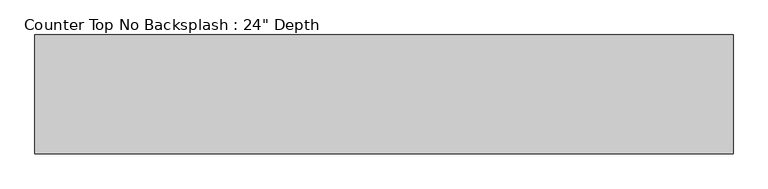
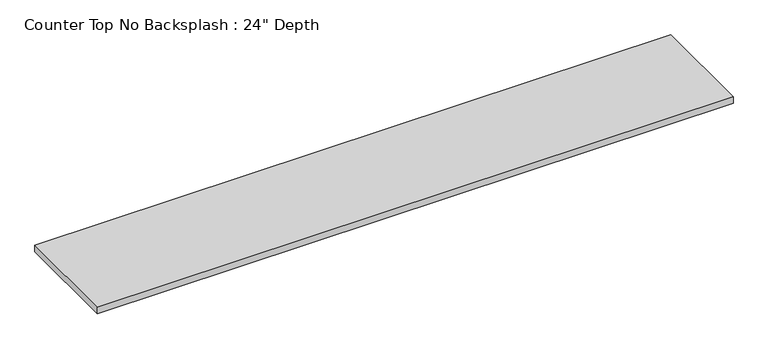
"""IFC4 building model written with IfcOpenShell, lengths in millimetres: furniture geometry."""

from ifc_helpers import new_model, si_unit, frame, origin, place, context, project, spatial, polyline, outline, extrude, source, transform, mapped, element, save


def furniture_3fc5d77e(model_context):
    return source(origin(), model_context, "Body", "SweptSolid", [
        extrude(outline(polyline([(2533.3377049, 0.0), (2533.3377049, -635.0), (-1200.4622951, -635.0), (-1200.4622951, 0.0), (2533.3377049, 0.0)])), frame((0.0, 0.0, 876.3), z_axis=(0.0, 0.0, 1.0), x_axis=(1.0, 0.0, 0.0)), (0.0, 0.0, 1.0), 38.1),
    ])


if __name__ == "__main__":
    model = new_model("IFC4")
    model_context = context("Model", 3, world=origin())
    ifc_project = project(units=[si_unit("LENGTHUNIT", "METRE", prefix="MILLI")], contexts=[model_context])
    site = spatial("IfcSite", under=ifc_project)
    building = spatial("IfcBuilding", under=site)
    placement = place(None, origin())
    furniture_shape = furniture_3fc5d77e(model_context)
    element("IfcFurniture", 1, ObjectType="Counter Top No Backsplash : 24\" Depth", at=placement, inside=building, context=model_context, shape_type="MappedRepresentation", body=[
        mapped(furniture_shape, transform((0.0, 0.0, 0.0), x_axis=(1.0, 0.0, 0.0), y_axis=(0.0, 1.0, 0.0), z_axis=(0.0, 0.0, 1.0))),
    ])
    save(model, "model.ifc")
